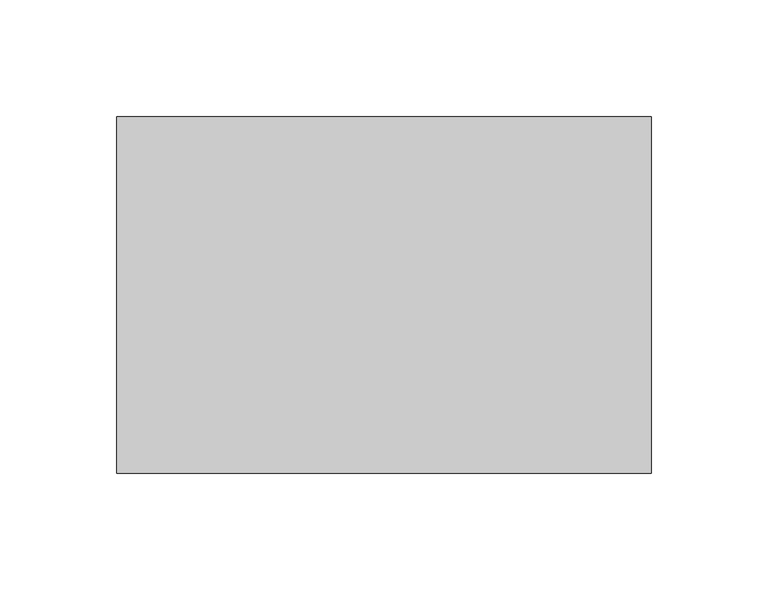
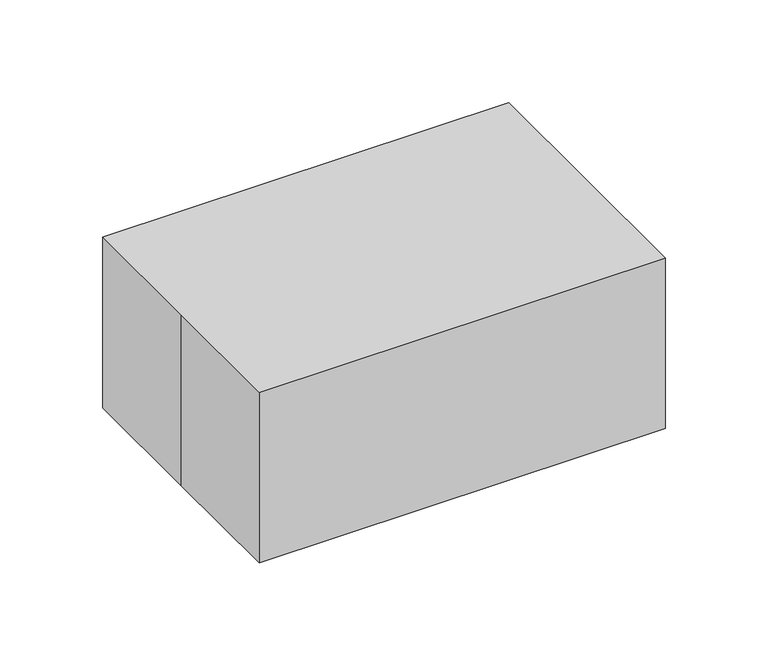
"""IFC4 building model written with IfcOpenShell, lengths in millimetres: proxy geometry."""

from ifc_helpers import new_model, si_unit, origin, origin_with_axes, place, context, project, spatial, polyline, outline, extrude, source, transform, mapped, element, save


def specialty_equipment_62e1c088(model_context):
    return source(origin(), model_context, "Body", "SweptSolid", [
        extrude(outline(polyline([(100.6709579, 63.4814676), (100.6709579, -63.5185324), (-102.5290421, -63.5185324), (-102.5290421, 63.4814676), (100.6709579, 63.4814676)])), origin_with_axes(), (0.0, 0.0, 1.0), 88.9),
        extrude(outline(polyline([(-114.3, 76.2), (114.3, 76.2), (114.3, -76.2), (-114.3, -76.2), (-114.3, 0.0), (-114.3, 76.2)])), origin_with_axes(), (0.0, 0.0, 1.0), 101.6),
    ])


if __name__ == "__main__":
    model = new_model("IFC4")
    model_context = context("Model", 3, world=origin())
    ifc_project = project(units=[si_unit("LENGTHUNIT", "METRE", prefix="MILLI")], contexts=[model_context])
    site = spatial("IfcSite", under=ifc_project)
    building = spatial("IfcBuilding", under=site)
    placement = place(None, origin())
    specialty_equipment_shape = specialty_equipment_62e1c088(model_context)
    element("IfcBuildingElementProxy", 1, Name="Specialty Equipment", at=placement, inside=building, context=model_context, shape_type="MappedRepresentation", body=[
        mapped(specialty_equipment_shape, transform((0.0, 0.0, 0.0), x_axis=(1.0, 0.0, 0.0), y_axis=(0.0, 1.0, 0.0), z_axis=(0.0, 0.0, 1.0))),
    ])
    save(model, "model.ifc")
